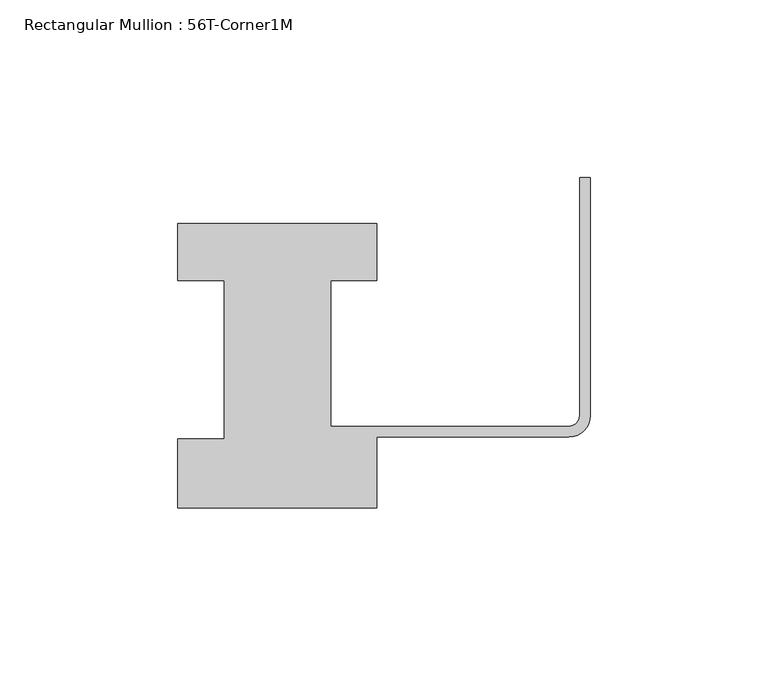
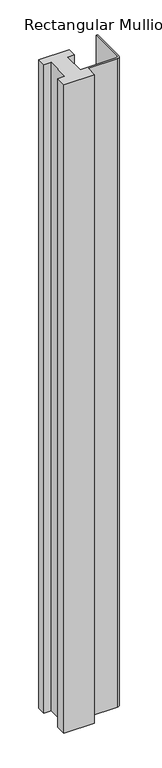
"""IFC4 building model written with IfcOpenShell, lengths in millimetres: member geometry, Rectangular Mullion : 56T-Corner1M."""

from ifc_helpers import new_model, si_unit, point, frame, frame_2d, origin, place, context, project, spatial, polyline, circle_curve, trimmed, segment, composite_curve, outline, extrude, source, transform, mapped, element, save


def rectangular_mullion_56t_corner1m_42c6a095(model_context):
    return source(origin(), model_context, "Body", "SweptSolid", [
        extrude(outline(composite_curve([segment(polyline([(-116.0, 44.0), (-116.0, 60.0), (-60.0, 60.0), (-60.0, 44.0), (-73.0, 44.0), (-73.0, 3.0), (-6.0, 3.0)]), True, "CONTINUOUS"), segment(trimmed(circle_curve(frame_2d((-6.0, 6.0)), 3.0), [point((-6.0, 3.0))], [point((-3.0, 6.0))], True, "CARTESIAN"), True, "CONTINUOUS"), segment(polyline([(-3.0, 6.0), (-3.0, 73.0), (0.0, 73.0), (0.0, 6.0)]), True, "CONTINUOUS"), segment(trimmed(circle_curve(frame_2d((-6.0, 6.0)), 6.0), [point((0.0, 6.0))], [point((-6.0, 0.0))], False, "CARTESIAN"), True, "CONTINUOUS"), segment(polyline([(-6.0, 0.0), (-60.0, 0.0), (-60.0, -20.0), (-116.0, -20.0), (-116.0, -0.5), (-103.0, -0.5), (-103.0, 44.0), (-116.0, 44.0)]), True, "CONTINUOUS")], self_intersect=False)), frame((0.0, 0.0, -1266.465707), z_axis=(0.0, 0.0, 1.0), x_axis=(1.0, 0.0, 0.0)), (0.0, 0.0, 1.0), 1266.465707),
    ])


if __name__ == "__main__":
    model = new_model("IFC4")
    model_context = context("Model", 3, world=origin())
    ifc_project = project(units=[si_unit("LENGTHUNIT", "METRE", prefix="MILLI")], contexts=[model_context])
    site = spatial("IfcSite", under=ifc_project)
    building = spatial("IfcBuilding", under=site)
    placement = place(None, origin())
    rectangular_mullion_56t_corner1m_shape = rectangular_mullion_56t_corner1m_42c6a095(model_context)
    element("IfcMember", 1, ObjectType="Rectangular Mullion : 56T-Corner1M", at=placement, inside=building, context=model_context, shape_type="MappedRepresentation", body=[
        mapped(rectangular_mullion_56t_corner1m_shape, transform((0.0, 0.0, 0.0), x_axis=(1.0, 0.0, 0.0), y_axis=(0.0, 1.0, 0.0), z_axis=(0.0, 0.0, 1.0))),
    ])
    save(model, "model.ifc")
